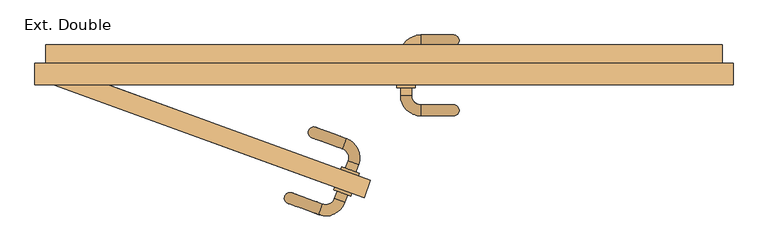
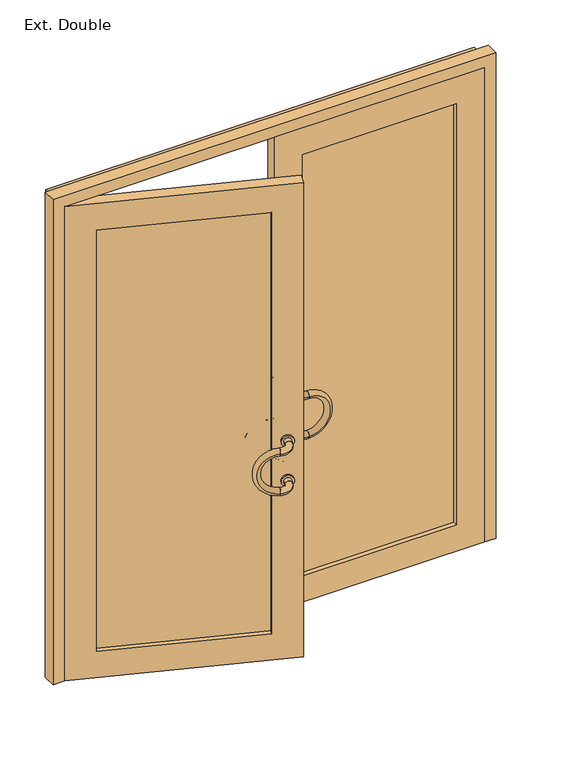
"""IFC4 building model written with IfcOpenShell, lengths in millimetres: door geometry, Ext. Double."""

from ifc_helpers import new_model, si_unit, point, frame, origin, place, context, project, spatial, polyline, circle_curve, ellipse_curve, trimmed, outline, extrude, faceted_brep, source, transform, mapped, element, save
from ifc_brep_helpers import plane_surface, cylinder_surface, revolved_surface, advanced_brep


def ext_double_28d20f76(model_context):
    return source(origin(), model_context, "Body", "SolidModel", [
        advanced_brep(
        [(35.0, -213.0, 990.0), (65.0, -213.0, 990.0), (90.0, -268.0, 990.0), (90.0, -238.0, 990.0)],
        [
            (0, 1, circle_curve(frame((50.0, -213.0, 990.0), z_axis=(0.0, 1.0, 0.0), x_axis=(1.0, 0.0, 0.0)), 15.0)),
            (1, 0, circle_curve(frame((50.0, -213.0, 990.0), z_axis=(0.0, 1.0, 0.0), x_axis=(1.0, 0.0, 0.0)), 15.0)),
            (2, 3, circle_curve(frame((90.0, -253.0, 990.0), z_axis=(1.0, 0.0, 0.0), x_axis=(0.0, 1.0, 0.0)), 15.0)),
            (3, 2, circle_curve(frame((90.0, -253.0, 990.0), z_axis=(1.0, 0.0, 0.0), x_axis=(0.0, 1.0, 0.0)), 15.0)),
            (3, 1, circle_curve(frame((90.0, -213.0, 990.0), z_axis=(0.0, 0.0, -1.0), x_axis=(-1.0, 0.0, 0.0)), 25.0)),
            (0, 2, circle_curve(frame((90.0, -213.0, 990.0), z_axis=(0.0, 0.0, 1.0), x_axis=(-1.0, 0.0, 0.0)), 55.0)),
        ],
        [
            plane_surface(frame((90.0, -213.0, 990.0), z_axis=(0.0, 1.0, 0.0), x_axis=(-1.0, 0.0, 0.0))),
            plane_surface(frame((90.0, -213.0, 990.0), z_axis=(1.0, 0.0, 0.0), x_axis=(0.0, -1.0, 0.0))),
            revolved_surface(trimmed(ellipse_curve(frame((50.0, -213.0, 990.0), z_axis=(0.0, 1.0, 0.0), x_axis=(1.0, 0.0, 0.0)), 15.0, 15.0), [point((35.0, -213.0, 990.0))], [point((65.0, -213.0, 990.0))], True, "CARTESIAN"), (90.0, -213.0, 990.0), (0.0, 0.0, 1.0)),
            revolved_surface(trimmed(ellipse_curve(frame((50.0, -213.0, 990.0), z_axis=(0.0, 1.0, 0.0), x_axis=(1.0, 0.0, 0.0)), 15.0, 15.0), [point((65.0, -213.0, 990.0))], [point((35.0, -213.0, 990.0))], True, "CARTESIAN"), (90.0, -213.0, 990.0), (0.0, 0.0, 1.0)),
        ],
        [
            (0, [[1, 2]]),
            (1, [[3, 4]]),
            (2, [[5, -1, 6, -4]]),
            (3, [[-6, -2, -5, -3]]),
        ],
    ),
        advanced_brep(
        [(35.0, -213.0, 810.0), (65.0, -213.0, 810.0), (90.0, -268.0, 810.0), (90.0, -238.0, 810.0)],
        [
            (0, 1, circle_curve(frame((50.0, -213.0, 810.0), z_axis=(0.0, 1.0, 0.0), x_axis=(1.0, 0.0, 0.0)), 15.0)),
            (1, 0, circle_curve(frame((50.0, -213.0, 810.0), z_axis=(0.0, 1.0, 0.0), x_axis=(1.0, 0.0, 0.0)), 15.0)),
            (2, 3, circle_curve(frame((90.0, -253.0, 810.0), z_axis=(1.0, 0.0, 0.0), x_axis=(0.0, 1.0, 0.0)), 15.0)),
            (3, 2, circle_curve(frame((90.0, -253.0, 810.0), z_axis=(1.0, 0.0, 0.0), x_axis=(0.0, 1.0, 0.0)), 15.0)),
            (3, 1, circle_curve(frame((90.0, -213.0, 810.0), z_axis=(0.0, 0.0, -1.0), x_axis=(-1.0, 0.0, 0.0)), 25.0)),
            (0, 2, circle_curve(frame((90.0, -213.0, 810.0), z_axis=(0.0, 0.0, 1.0), x_axis=(-1.0, 0.0, 0.0)), 55.0)),
        ],
        [
            plane_surface(frame((90.0, -213.0, 990.0), z_axis=(0.0, 1.0, 0.0), x_axis=(-1.0, 0.0, 0.0))),
            plane_surface(frame((90.0, -213.0, 990.0), z_axis=(1.0, 0.0, 0.0), x_axis=(0.0, -1.0, 0.0))),
            revolved_surface(trimmed(ellipse_curve(frame((50.0, -213.0, 810.0), z_axis=(0.0, 1.0, 0.0), x_axis=(1.0, 0.0, 0.0)), 15.0, 15.0), [point((35.0, -213.0, 810.0))], [point((65.0, -213.0, 810.0))], True, "CARTESIAN"), (90.0, -213.0, 990.0), (0.0, 0.0, 1.0)),
            revolved_surface(trimmed(ellipse_curve(frame((50.0, -213.0, 810.0), z_axis=(0.0, 1.0, 0.0), x_axis=(1.0, 0.0, 0.0)), 15.0, 15.0), [point((65.0, -213.0, 810.0))], [point((35.0, -213.0, 810.0))], True, "CARTESIAN"), (90.0, -213.0, 990.0), (0.0, 0.0, 1.0)),
        ],
        [
            (0, [[1, 2]]),
            (1, [[3, 4]]),
            (2, [[5, -1, 6, -4]]),
            (3, [[-6, -2, -5, -3]]),
        ],
    ),
        advanced_brep(
        [(90.0, -238.0, 990.0), (90.0, -268.0, 990.0), (90.0, -238.0, 810.0), (90.0, -268.0, 810.0)],
        [
            (0, 1, circle_curve(frame((90.0, -253.0, 990.0), z_axis=(-1.0, 0.0, 0.0), x_axis=(0.0, -1.0, 0.0)), 15.0)),
            (1, 0, circle_curve(frame((90.0, -253.0, 990.0), z_axis=(-1.0, 0.0, 0.0), x_axis=(0.0, -1.0, 0.0)), 15.0)),
            (2, 3, circle_curve(frame((90.0, -253.0, 810.0), z_axis=(-1.0, 0.0, 0.0), x_axis=(0.0, -1.0, 0.0)), 15.0)),
            (3, 2, circle_curve(frame((90.0, -253.0, 810.0), z_axis=(-1.0, 0.0, 0.0), x_axis=(0.0, -1.0, 0.0)), 15.0)),
            (3, 1, circle_curve(frame((90.0, -268.0, 900.0), z_axis=(0.0, -1.0, 0.0), x_axis=(0.0, 0.0, 1.0)), 90.0)),
            (0, 2, circle_curve(frame((90.0, -238.0, 900.0), z_axis=(0.0, 1.0, 0.0), x_axis=(0.0, 0.0, 1.0)), 90.0)),
        ],
        [
            plane_surface(frame((90.0, -268.0, 900.0), z_axis=(-1.0, 0.0, 0.0), x_axis=(0.0, 0.0, 1.0))),
            plane_surface(frame((90.0, -268.0, 900.0), z_axis=(-1.0, 0.0, 0.0), x_axis=(0.0, 0.0, -1.0))),
            revolved_surface(trimmed(ellipse_curve(frame((90.0, -253.0, 990.0), z_axis=(-1.0, 0.0, 0.0), x_axis=(0.0, -1.0, 0.0)), 15.0, 15.0), [point((90.0, -238.0, 990.0))], [point((90.0, -268.0, 990.0))], True, "CARTESIAN"), (90.0, -268.0, 900.0), (0.0, 1.0, 0.0)),
            revolved_surface(trimmed(ellipse_curve(frame((90.0, -253.0, 990.0), z_axis=(-1.0, 0.0, 0.0), x_axis=(0.0, -1.0, 0.0)), 15.0, 15.0), [point((90.0, -268.0, 990.0))], [point((90.0, -238.0, 990.0))], True, "CARTESIAN"), (90.0, -268.0, 900.0), (0.0, 1.0, 0.0)),
        ],
        [
            (0, [[1, 2]]),
            (1, [[3, 4]]),
            (2, [[5, -1, 6, -4]]),
            (3, [[-6, -2, -5, -3]]),
        ],
    ),
        advanced_brep(
        [(65.0, -103.0, 990.0), (35.0, -103.0, 990.0), (90.0, -78.0, 990.0), (90.0, -48.0, 990.0)],
        [
            (0, 1, circle_curve(frame((50.0, -103.0, 990.0), z_axis=(0.0, -1.0, 0.0), x_axis=(-1.0, 0.0, 0.0)), 15.0)),
            (1, 0, circle_curve(frame((50.0, -103.0, 990.0), z_axis=(0.0, -1.0, 0.0), x_axis=(-1.0, 0.0, 0.0)), 15.0)),
            (2, 3, circle_curve(frame((90.0, -63.0, 990.0), z_axis=(1.0, 0.0, 0.0), x_axis=(0.0, 1.0, 0.0)), 15.0)),
            (3, 2, circle_curve(frame((90.0, -63.0, 990.0), z_axis=(1.0, 0.0, 0.0), x_axis=(0.0, 1.0, 0.0)), 15.0)),
            (3, 1, circle_curve(frame((90.0, -103.0, 990.0), z_axis=(0.0, 0.0, 1.0), x_axis=(-1.0, 0.0, 0.0)), 55.0)),
            (0, 2, circle_curve(frame((90.0, -103.0, 990.0), z_axis=(0.0, 0.0, -1.0), x_axis=(-1.0, 0.0, 0.0)), 25.0)),
        ],
        [
            plane_surface(frame((90.0, -103.0, 990.0), z_axis=(0.0, -1.0, 0.0), x_axis=(-1.0, 0.0, 0.0))),
            plane_surface(frame((90.0, -103.0, 990.0), z_axis=(1.0, 0.0, 0.0), x_axis=(0.0, 1.0, 0.0))),
            revolved_surface(trimmed(ellipse_curve(frame((50.0, -103.0, 990.0), z_axis=(0.0, -1.0, 0.0), x_axis=(-1.0, 0.0, 0.0)), 15.0, 15.0), [point((65.0, -103.0, 990.0))], [point((35.0, -103.0, 990.0))], True, "CARTESIAN"), (90.0, -103.0, 990.0), (0.0, 0.0, -1.0)),
            revolved_surface(trimmed(ellipse_curve(frame((50.0, -103.0, 990.0), z_axis=(0.0, -1.0, 0.0), x_axis=(-1.0, 0.0, 0.0)), 15.0, 15.0), [point((35.0, -103.0, 990.0))], [point((65.0, -103.0, 990.0))], True, "CARTESIAN"), (90.0, -103.0, 990.0), (0.0, 0.0, -1.0)),
        ],
        [
            (0, [[1, 2]]),
            (1, [[3, 4]]),
            (2, [[5, -1, 6, -4]]),
            (3, [[-6, -2, -5, -3]]),
        ],
    ),
        advanced_brep(
        [(65.0, -103.0, 810.0), (35.0, -103.0, 810.0), (90.0, -78.0, 810.0), (90.0, -48.0, 810.0)],
        [
            (0, 1, circle_curve(frame((50.0, -103.0, 810.0), z_axis=(0.0, -1.0, 0.0), x_axis=(-1.0, 0.0, 0.0)), 15.0)),
            (1, 0, circle_curve(frame((50.0, -103.0, 810.0), z_axis=(0.0, -1.0, 0.0), x_axis=(-1.0, 0.0, 0.0)), 15.0)),
            (2, 3, circle_curve(frame((90.0, -63.0, 810.0), z_axis=(1.0, 0.0, 0.0), x_axis=(0.0, 1.0, 0.0)), 15.0)),
            (3, 2, circle_curve(frame((90.0, -63.0, 810.0), z_axis=(1.0, 0.0, 0.0), x_axis=(0.0, 1.0, 0.0)), 15.0)),
            (3, 1, circle_curve(frame((90.0, -103.0, 810.0), z_axis=(0.0, 0.0, 1.0), x_axis=(-1.0, 0.0, 0.0)), 55.0)),
            (0, 2, circle_curve(frame((90.0, -103.0, 810.0), z_axis=(0.0, 0.0, -1.0), x_axis=(-1.0, 0.0, 0.0)), 25.0)),
        ],
        [
            plane_surface(frame((90.0, -103.0, 990.0), z_axis=(0.0, -1.0, 0.0), x_axis=(-1.0, 0.0, 0.0))),
            plane_surface(frame((90.0, -103.0, 990.0), z_axis=(1.0, 0.0, 0.0), x_axis=(0.0, 1.0, 0.0))),
            revolved_surface(trimmed(ellipse_curve(frame((50.0, -103.0, 810.0), z_axis=(0.0, -1.0, 0.0), x_axis=(-1.0, 0.0, 0.0)), 15.0, 15.0), [point((65.0, -103.0, 810.0))], [point((35.0, -103.0, 810.0))], True, "CARTESIAN"), (90.0, -103.0, 990.0), (0.0, 0.0, -1.0)),
            revolved_surface(trimmed(ellipse_curve(frame((50.0, -103.0, 810.0), z_axis=(0.0, -1.0, 0.0), x_axis=(-1.0, 0.0, 0.0)), 15.0, 15.0), [point((35.0, -103.0, 810.0))], [point((65.0, -103.0, 810.0))], True, "CARTESIAN"), (90.0, -103.0, 990.0), (0.0, 0.0, -1.0)),
        ],
        [
            (0, [[1, 2]]),
            (1, [[3, 4]]),
            (2, [[5, -1, 6, -4]]),
            (3, [[-6, -2, -5, -3]]),
        ],
    ),
        advanced_brep(
        [(90.0, -48.0, 990.0), (90.0, -78.0, 990.0), (90.0, -48.0, 810.0), (90.0, -78.0, 810.0)],
        [
            (0, 1, circle_curve(frame((90.0, -63.0, 990.0), z_axis=(-1.0, 0.0, 0.0), x_axis=(0.0, -1.0, 0.0)), 15.0)),
            (1, 0, circle_curve(frame((90.0, -63.0, 990.0), z_axis=(-1.0, 0.0, 0.0), x_axis=(0.0, -1.0, 0.0)), 15.0)),
            (2, 3, circle_curve(frame((90.0, -63.0, 810.0), z_axis=(-1.0, 0.0, 0.0), x_axis=(0.0, -1.0, 0.0)), 15.0)),
            (3, 2, circle_curve(frame((90.0, -63.0, 810.0), z_axis=(-1.0, 0.0, 0.0), x_axis=(0.0, -1.0, 0.0)), 15.0)),
            (3, 1, circle_curve(frame((90.0, -78.0, 900.0), z_axis=(0.0, -1.0, 0.0), x_axis=(0.0, 0.0, 1.0)), 90.0)),
            (0, 2, circle_curve(frame((90.0, -48.0, 900.0), z_axis=(0.0, 1.0, 0.0), x_axis=(0.0, 0.0, 1.0)), 90.0)),
        ],
        [
            plane_surface(frame((90.0, -63.0, 900.0), z_axis=(-1.0, 0.0, 0.0), x_axis=(0.0, 0.0, 1.0))),
            plane_surface(frame((90.0, -63.0, 900.0), z_axis=(-1.0, 0.0, 0.0), x_axis=(0.0, 0.0, -1.0))),
            revolved_surface(trimmed(ellipse_curve(frame((90.0, -63.0, 990.0), z_axis=(-1.0, 0.0, 0.0), x_axis=(0.0, -1.0, 0.0)), 15.0, 15.0), [point((90.0, -48.0, 990.0))], [point((90.0, -78.0, 990.0))], True, "CARTESIAN"), (90.0, -63.0, 900.0), (0.0, 1.0, 0.0)),
            revolved_surface(trimmed(ellipse_curve(frame((90.0, -63.0, 990.0), z_axis=(-1.0, 0.0, 0.0), x_axis=(0.0, -1.0, 0.0)), 15.0, 15.0), [point((90.0, -78.0, 990.0))], [point((90.0, -48.0, 990.0))], True, "CARTESIAN"), (90.0, -63.0, 900.0), (0.0, 1.0, 0.0)),
        ],
        [
            (0, [[1, 2]]),
            (1, [[3, 4]]),
            (2, [[5, -1, 6, -4]]),
            (3, [[-6, -2, -5, -3]]),
        ],
    ),
        advanced_brep(
        [(25.0, -191.0, 990.0), (75.0, -191.0, 990.0), (65.0, -191.0, 990.0), (35.0, -191.0, 990.0), (25.0, -183.0, 990.0), (75.0, -183.0, 990.0), (35.0, -213.0, 990.0), (65.0, -213.0, 990.0)],
        [
            (0, 1, circle_curve(frame((50.0, -191.0, 990.0), z_axis=(0.0, -1.0, 0.0), x_axis=(1.0, 0.0, 0.0)), 25.0)),
            (1, 0, circle_curve(frame((50.0, -191.0, 990.0), z_axis=(0.0, -1.0, 0.0), x_axis=(1.0, 0.0, 0.0)), 25.0)),
            (2, 3, circle_curve(frame((50.0, -191.0, 990.0), z_axis=(0.0, 1.0, 0.0), x_axis=(1.0, 0.0, 0.0)), 15.0)),
            (3, 2, circle_curve(frame((50.0, -191.0, 990.0), z_axis=(0.0, 1.0, 0.0), x_axis=(1.0, 0.0, 0.0)), 15.0)),
            (4, 5, circle_curve(frame((50.0, -183.0, 990.0), z_axis=(0.0, 1.0, 0.0), x_axis=(1.0, 0.0, 0.0)), 25.0)),
            (5, 4, circle_curve(frame((50.0, -183.0, 990.0), z_axis=(0.0, 1.0, 0.0), x_axis=(1.0, 0.0, 0.0)), 25.0)),
            (0, 4),
            (5, 1),
            (6, 7, circle_curve(frame((50.0, -213.0, 990.0), z_axis=(0.0, -1.0, 0.0), x_axis=(1.0, 0.0, 0.0)), 15.0)),
            (7, 6, circle_curve(frame((50.0, -213.0, 990.0), z_axis=(0.0, -1.0, 0.0), x_axis=(1.0, 0.0, 0.0)), 15.0)),
            (6, 3),
            (2, 7),
        ],
        [
            plane_surface(frame((75.0, -191.0, 990.0), z_axis=(0.0, -1.0, 0.0), x_axis=(0.0, 0.0, 1.0))),
            plane_surface(frame((75.0, -183.0, 990.0), z_axis=(0.0, 1.0, 0.0), x_axis=(0.0, 0.0, -1.0))),
            cylinder_surface(frame((50.0, -183.0, 990.0), z_axis=(0.0, -1.0, 0.0), x_axis=(1.0, 0.0, 0.0)), 25.0),
            plane_surface(frame((65.0, -213.0, 990.0), z_axis=(0.0, -1.0, 0.0), x_axis=(0.0, 0.0, 1.0))),
            cylinder_surface(frame((50.0, -183.0, 990.0), z_axis=(0.0, -1.0, 0.0), x_axis=(1.0, 0.0, 0.0)), 15.0),
        ],
        [
            (0, [[1, 2], [3, 4]]),
            (1, [[5, 6]]),
            (2, [[-1, 7, -6, 8]]),
            (2, [[-2, -8, -5, -7]]),
            (3, [[9, 10]]),
            (4, [[-9, 11, -3, 12]]),
            (4, [[-10, -12, -4, -11]]),
        ],
    ),
        advanced_brep(
        [(25.0, -191.0, 810.0), (75.0, -191.0, 810.0), (65.0, -191.0, 810.0), (35.0, -191.0, 810.0), (25.0, -183.0, 810.0), (75.0, -183.0, 810.0), (35.0, -213.0, 810.0), (65.0, -213.0, 810.0)],
        [
            (0, 1, circle_curve(frame((50.0, -191.0, 810.0), z_axis=(0.0, -1.0, 0.0), x_axis=(1.0, 0.0, 0.0)), 25.0)),
            (1, 0, circle_curve(frame((50.0, -191.0, 810.0), z_axis=(0.0, -1.0, 0.0), x_axis=(1.0, 0.0, 0.0)), 25.0)),
            (2, 3, circle_curve(frame((50.0, -191.0, 810.0), z_axis=(0.0, 1.0, 0.0), x_axis=(1.0, 0.0, 0.0)), 15.0)),
            (3, 2, circle_curve(frame((50.0, -191.0, 810.0), z_axis=(0.0, 1.0, 0.0), x_axis=(1.0, 0.0, 0.0)), 15.0)),
            (4, 5, circle_curve(frame((50.0, -183.0, 810.0), z_axis=(0.0, 1.0, 0.0), x_axis=(1.0, 0.0, 0.0)), 25.0)),
            (5, 4, circle_curve(frame((50.0, -183.0, 810.0), z_axis=(0.0, 1.0, 0.0), x_axis=(1.0, 0.0, 0.0)), 25.0)),
            (0, 4),
            (5, 1),
            (6, 7, circle_curve(frame((50.0, -213.0, 810.0), z_axis=(0.0, -1.0, 0.0), x_axis=(1.0, 0.0, 0.0)), 15.0)),
            (7, 6, circle_curve(frame((50.0, -213.0, 810.0), z_axis=(0.0, -1.0, 0.0), x_axis=(1.0, 0.0, 0.0)), 15.0)),
            (6, 3),
            (2, 7),
        ],
        [
            plane_surface(frame((75.0, -191.0, 990.0), z_axis=(0.0, -1.0, 0.0), x_axis=(0.0, 0.0, 1.0))),
            plane_surface(frame((75.0, -183.0, 990.0), z_axis=(0.0, 1.0, 0.0), x_axis=(0.0, 0.0, -1.0))),
            cylinder_surface(frame((50.0, -183.0, 810.0), z_axis=(0.0, -1.0, 0.0), x_axis=(1.0, 0.0, 0.0)), 25.0),
            plane_surface(frame((65.0, -213.0, 990.0), z_axis=(0.0, -1.0, 0.0), x_axis=(0.0, 0.0, 1.0))),
            cylinder_surface(frame((50.0, -183.0, 810.0), z_axis=(0.0, -1.0, 0.0), x_axis=(1.0, 0.0, 0.0)), 15.0),
        ],
        [
            (0, [[1, 2], [3, 4]]),
            (1, [[5, 6]]),
            (2, [[-1, 7, -6, 8]]),
            (2, [[-2, -8, -5, -7]]),
            (3, [[9, 10]]),
            (4, [[-9, 11, -3, 12]]),
            (4, [[-10, -12, -4, -11]]),
        ],
    ),
        advanced_brep(
        [(25.0, -133.0, 810.0), (75.0, -133.0, 810.0), (25.0, -125.0, 810.0), (75.0, -125.0, 810.0), (35.0, -125.0, 810.0), (65.0, -125.0, 810.0), (35.0, -103.0, 810.0), (65.0, -103.0, 810.0)],
        [
            (0, 1, circle_curve(frame((50.0, -133.0, 810.0), z_axis=(0.0, -1.0, 0.0), x_axis=(1.0, 0.0, 0.0)), 25.0)),
            (1, 0, circle_curve(frame((50.0, -133.0, 810.0), z_axis=(0.0, -1.0, 0.0), x_axis=(1.0, 0.0, 0.0)), 25.0)),
            (2, 3, circle_curve(frame((50.0, -125.0, 810.0), z_axis=(0.0, 1.0, 0.0), x_axis=(1.0, 0.0, 0.0)), 25.0)),
            (3, 2, circle_curve(frame((50.0, -125.0, 810.0), z_axis=(0.0, 1.0, 0.0), x_axis=(1.0, 0.0, 0.0)), 25.0)),
            (4, 5, circle_curve(frame((50.0, -125.0, 810.0), z_axis=(0.0, -1.0, 0.0), x_axis=(1.0, 0.0, 0.0)), 15.0)),
            (5, 4, circle_curve(frame((50.0, -125.0, 810.0), z_axis=(0.0, -1.0, 0.0), x_axis=(1.0, 0.0, 0.0)), 15.0)),
            (0, 2),
            (3, 1),
            (6, 7, circle_curve(frame((50.0, -103.0, 810.0), z_axis=(0.0, 1.0, 0.0), x_axis=(1.0, 0.0, 0.0)), 15.0)),
            (7, 6, circle_curve(frame((50.0, -103.0, 810.0), z_axis=(0.0, 1.0, 0.0), x_axis=(1.0, 0.0, 0.0)), 15.0)),
            (7, 5),
            (4, 6),
        ],
        [
            plane_surface(frame((75.0, -133.0, 990.0), z_axis=(0.0, -1.0, 0.0), x_axis=(0.0, 0.0, 1.0))),
            plane_surface(frame((75.0, -125.0, 990.0), z_axis=(0.0, 1.0, 0.0), x_axis=(0.0, 0.0, -1.0))),
            cylinder_surface(frame((50.0, -133.0, 810.0), z_axis=(0.0, -1.0, 0.0), x_axis=(1.0, 0.0, 0.0)), 25.0),
            plane_surface(frame((65.0, -103.0, 990.0), z_axis=(0.0, 1.0, 0.0), x_axis=(0.0, 0.0, -1.0))),
            cylinder_surface(frame((50.0, -133.0, 810.0), z_axis=(0.0, -1.0, 0.0), x_axis=(1.0, 0.0, 0.0)), 15.0),
        ],
        [
            (0, [[1, 2]]),
            (1, [[3, 4], [5, 6]]),
            (2, [[-1, 7, -4, 8]]),
            (2, [[-2, -8, -3, -7]]),
            (3, [[9, 10]]),
            (4, [[-10, 11, -5, 12]]),
            (4, [[-9, -12, -6, -11]]),
        ],
    ),
        advanced_brep(
        [(25.0, -133.0, 990.0), (75.0, -133.0, 990.0), (25.0, -125.0, 990.0), (75.0, -125.0, 990.0), (35.0, -125.0, 990.0), (65.0, -125.0, 990.0), (35.0, -103.0, 990.0), (65.0, -103.0, 990.0)],
        [
            (0, 1, circle_curve(frame((50.0, -133.0, 990.0), z_axis=(0.0, -1.0, 0.0), x_axis=(1.0, 0.0, 0.0)), 25.0)),
            (1, 0, circle_curve(frame((50.0, -133.0, 990.0), z_axis=(0.0, -1.0, 0.0), x_axis=(1.0, 0.0, 0.0)), 25.0)),
            (2, 3, circle_curve(frame((50.0, -125.0, 990.0), z_axis=(0.0, 1.0, 0.0), x_axis=(1.0, 0.0, 0.0)), 25.0)),
            (3, 2, circle_curve(frame((50.0, -125.0, 990.0), z_axis=(0.0, 1.0, 0.0), x_axis=(1.0, 0.0, 0.0)), 25.0)),
            (4, 5, circle_curve(frame((50.0, -125.0, 990.0), z_axis=(0.0, -1.0, 0.0), x_axis=(1.0, 0.0, 0.0)), 15.0)),
            (5, 4, circle_curve(frame((50.0, -125.0, 990.0), z_axis=(0.0, -1.0, 0.0), x_axis=(1.0, 0.0, 0.0)), 15.0)),
            (0, 2),
            (3, 1),
            (6, 7, circle_curve(frame((50.0, -103.0, 990.0), z_axis=(0.0, 1.0, 0.0), x_axis=(1.0, 0.0, 0.0)), 15.0)),
            (7, 6, circle_curve(frame((50.0, -103.0, 990.0), z_axis=(0.0, 1.0, 0.0), x_axis=(1.0, 0.0, 0.0)), 15.0)),
            (7, 5),
            (4, 6),
        ],
        [
            plane_surface(frame((75.0, -133.0, 990.0), z_axis=(0.0, -1.0, 0.0), x_axis=(0.0, 0.0, 1.0))),
            plane_surface(frame((75.0, -125.0, 990.0), z_axis=(0.0, 1.0, 0.0), x_axis=(0.0, 0.0, -1.0))),
            cylinder_surface(frame((50.0, -125.0, 990.0), z_axis=(0.0, -1.0, 0.0), x_axis=(1.0, 0.0, 0.0)), 25.0),
            plane_surface(frame((65.0, -103.0, 990.0), z_axis=(0.0, 1.0, 0.0), x_axis=(0.0, 0.0, -1.0))),
            cylinder_surface(frame((50.0, -103.0, 990.0), z_axis=(0.0, -1.0, 0.0), x_axis=(1.0, 0.0, 0.0)), 15.0),
        ],
        [
            (0, [[1, 2]]),
            (1, [[3, 4], [5, 6]]),
            (2, [[-1, 7, -4, 8]]),
            (2, [[-2, -8, -3, -7]]),
            (3, [[9, 10]]),
            (4, [[-10, 11, -5, 12]]),
            (4, [[-9, -12, -6, -11]]),
        ],
    ),
        extrude(outline(polyline([(110.0, -153.0), (770.0, -153.0), (770.0, -163.0), (110.0, -163.0), (110.0, -153.0)])), frame((0.0, 0.0, 120.0), z_axis=(0.0, 0.0, 1.0), x_axis=(1.0, 0.0, 0.0)), (0.0, 0.0, 1.0), 1910.0),
        extrude(outline(polyline([(2150.0, -10.0), (0.0, -10.0), (0.0, 890.0), (2150.0, 890.0), (2150.0, -10.0)]), holes=[polyline([(2030.0, 770.0), (120.0, 770.0), (120.0, 110.0), (2030.0, 110.0), (2030.0, 770.0)])]), frame((0.0, -183.0, 0.0), z_axis=(0.0, 1.0, 0.0), x_axis=(0.0, 0.0, 1.0)), (0.0, 0.0, 1.0), 50.0),
        advanced_brep(
        [(-116.8234135, -503.6180012, 990.0), (-145.0141922, -493.3573969, 990.0), (-187.3176156, -536.4899874, 990.0), (-177.0570113, -508.2992088, 990.0)],
        [
            (0, 1, circle_curve(frame((-130.9188028, -498.487699, 990.0), z_axis=(0.34202014332566416, 0.9396926207859104, 0.0), x_axis=(-0.9396926207859102, 0.3420201433256641, 0.0)), 15.0)),
            (1, 0, circle_curve(frame((-130.9188028, -498.487699, 990.0), z_axis=(0.34202014332566416, 0.9396926207859104, 0.0), x_axis=(-0.9396926207859102, 0.3420201433256641, 0.0)), 15.0)),
            (2, 3, circle_curve(frame((-182.1873134, -522.3945981, 990.0), z_axis=(-0.9396926207859108, 0.3420201433256624, 0.0), x_axis=(0.34202014332566244, 0.939692620785911, 0.0)), 15.0)),
            (3, 2, circle_curve(frame((-182.1873134, -522.3945981, 990.0), z_axis=(-0.9396926207859108, 0.3420201433256624, 0.0), x_axis=(0.34202014332566244, 0.939692620785911, 0.0)), 15.0)),
            (2, 0, circle_curve(frame((-168.5065077, -484.8068933, 990.0), z_axis=(0.0, 0.0, 1.0), x_axis=(0.939692620785908, -0.34202014332567016, 0.0)), 55.0)),
            (1, 3, circle_curve(frame((-168.5065077, -484.8068933, 990.0), z_axis=(0.0, 0.0, -1.0), x_axis=(0.939692620785908, -0.34202014332567016, 0.0)), 25.0)),
        ],
        [
            plane_surface(frame((-168.5065077, -484.8068933, 990.0), z_axis=(0.34202014332567016, 0.939692620785908, 0.0), x_axis=(0.939692620785908, -0.34202014332567016, 0.0))),
            plane_surface(frame((-168.5065077, -484.8068933, 990.0), z_axis=(-0.9396926207859086, 0.3420201433256684, 0.0), x_axis=(-0.3420201433256684, -0.9396926207859086, 0.0))),
            revolved_surface(trimmed(ellipse_curve(frame((-130.9188028, -498.487699, 990.0), z_axis=(-0.34202014332566416, -0.9396926207859104, 0.0), x_axis=(-0.9396926207859102, 0.3420201433256641, 0.0)), 15.0, 15.0), [point((-116.8234135, -503.6180012, 990.0))], [point((-145.0141922, -493.3573969, 990.0))], True, "CARTESIAN"), (-168.5065077, -484.8068933, 990.0), (0.0, 0.0, 1.0000000000000002)),
            revolved_surface(trimmed(ellipse_curve(frame((-130.9188028, -498.487699, 990.0), z_axis=(-0.34202014332566416, -0.9396926207859104, 0.0), x_axis=(-0.9396926207859102, 0.3420201433256641, 0.0)), 15.0, 15.0), [point((-145.0141922, -493.3573969, 990.0))], [point((-116.8234135, -503.6180012, 990.0))], True, "CARTESIAN"), (-168.5065077, -484.8068933, 990.0), (0.0, 0.0, 1.0000000000000002)),
        ],
        [
            (0, [[1, 2]]),
            (1, [[3, 4]]),
            (2, [[-3, 5, -2, 6]]),
            (3, [[-4, -6, -1, -5]]),
        ],
    ),
        advanced_brep(
        [(-116.8234135, -503.6180012, 810.0), (-145.0141922, -493.3573969, 810.0), (-187.3176156, -536.4899874, 810.0), (-177.0570113, -508.2992088, 810.0)],
        [
            (0, 1, circle_curve(frame((-130.9188028, -498.487699, 810.0), z_axis=(0.34202014332566416, 0.9396926207859104, 0.0), x_axis=(-0.9396926207859102, 0.3420201433256641, 0.0)), 15.0)),
            (1, 0, circle_curve(frame((-130.9188028, -498.487699, 810.0), z_axis=(0.34202014332566416, 0.9396926207859104, 0.0), x_axis=(-0.9396926207859102, 0.3420201433256641, 0.0)), 15.0)),
            (2, 3, circle_curve(frame((-182.1873134, -522.3945981, 810.0), z_axis=(-0.9396926207859108, 0.3420201433256624, 0.0), x_axis=(0.34202014332566244, 0.939692620785911, 0.0)), 15.0)),
            (3, 2, circle_curve(frame((-182.1873134, -522.3945981, 810.0), z_axis=(-0.9396926207859108, 0.3420201433256624, 0.0), x_axis=(0.34202014332566244, 0.939692620785911, 0.0)), 15.0)),
            (2, 0, circle_curve(frame((-168.5065077, -484.8068933, 810.0), z_axis=(0.0, 0.0, 1.0), x_axis=(0.939692620785908, -0.34202014332567016, 0.0)), 55.0)),
            (1, 3, circle_curve(frame((-168.5065077, -484.8068933, 810.0), z_axis=(0.0, 0.0, -1.0), x_axis=(0.939692620785908, -0.34202014332567016, 0.0)), 25.0)),
        ],
        [
            plane_surface(frame((-168.5065077, -484.8068933, 990.0), z_axis=(0.34202014332567016, 0.939692620785908, 0.0), x_axis=(0.939692620785908, -0.34202014332567016, 0.0))),
            plane_surface(frame((-168.5065077, -484.8068933, 990.0), z_axis=(-0.9396926207859086, 0.3420201433256684, 0.0), x_axis=(-0.3420201433256684, -0.9396926207859086, 0.0))),
            revolved_surface(trimmed(ellipse_curve(frame((-130.9188028, -498.487699, 810.0), z_axis=(-0.34202014332566416, -0.9396926207859104, 0.0), x_axis=(-0.9396926207859102, 0.3420201433256641, 0.0)), 15.0, 15.0), [point((-116.8234135, -503.6180012, 810.0))], [point((-145.0141922, -493.3573969, 810.0))], True, "CARTESIAN"), (-168.5065077, -484.8068933, 990.0), (0.0, 0.0, 1.0000000000000002)),
            revolved_surface(trimmed(ellipse_curve(frame((-130.9188028, -498.487699, 810.0), z_axis=(-0.34202014332566416, -0.9396926207859104, 0.0), x_axis=(-0.9396926207859102, 0.3420201433256641, 0.0)), 15.0, 15.0), [point((-145.0141922, -493.3573969, 810.0))], [point((-116.8234135, -503.6180012, 810.0))], True, "CARTESIAN"), (-168.5065077, -484.8068933, 990.0), (0.0, 0.0, 1.0000000000000002)),
        ],
        [
            (0, [[1, 2]]),
            (1, [[3, 4]]),
            (2, [[-3, 5, -2, 6]]),
            (3, [[-4, -6, -1, -5]]),
        ],
    ),
        advanced_brep(
        [(-177.0570113, -508.2992088, 990.0), (-187.3176156, -536.4899874, 990.0), (-177.0570113, -508.2992088, 810.0), (-187.3176156, -536.4899874, 810.0)],
        [
            (0, 1, circle_curve(frame((-182.1873134, -522.3945981, 990.0), z_axis=(0.9396926207859086, -0.34202014332566844, 0.0), x_axis=(-0.3420201433256685, -0.9396926207859089, 0.0)), 15.0)),
            (1, 0, circle_curve(frame((-182.1873134, -522.3945981, 990.0), z_axis=(0.9396926207859086, -0.34202014332566844, 0.0), x_axis=(-0.3420201433256685, -0.9396926207859089, 0.0)), 15.0)),
            (2, 3, circle_curve(frame((-182.1873134, -522.3945981, 810.0), z_axis=(0.9396926207859086, -0.34202014332566844, 0.0), x_axis=(-0.3420201433256685, -0.9396926207859089, 0.0)), 15.0)),
            (3, 2, circle_curve(frame((-182.1873134, -522.3945981, 810.0), z_axis=(0.9396926207859086, -0.34202014332566844, 0.0), x_axis=(-0.3420201433256685, -0.9396926207859089, 0.0)), 15.0)),
            (2, 0, circle_curve(frame((-177.0570113, -508.2992088, 900.0), z_axis=(0.34202014332566844, 0.9396926207859086, 0.0), x_axis=(0.0, 0.0, 1.0000000000000002)), 90.0)),
            (1, 3, circle_curve(frame((-187.3176156, -536.4899874, 900.0), z_axis=(-0.34202014332566844, -0.9396926207859086, 0.0), x_axis=(0.0, 0.0, 1.0000000000000002)), 90.0)),
        ],
        [
            plane_surface(frame((-187.3176156, -536.4899874, 900.0), z_axis=(0.9396926207859086, -0.34202014332566844, 0.0), x_axis=(0.0, 0.0, 1.0))),
            plane_surface(frame((-187.3176156, -536.4899874, 900.0), z_axis=(0.9396926207859086, -0.34202014332566844, 0.0), x_axis=(0.0, 0.0, -1.0))),
            revolved_surface(trimmed(ellipse_curve(frame((-182.1873134, -522.3945981, 990.0), z_axis=(-0.9396926207859086, 0.34202014332566844, 0.0), x_axis=(-0.3420201433256685, -0.9396926207859089, 0.0)), 15.0, 15.0), [point((-177.0570113, -508.2992088, 990.0))], [point((-187.3176156, -536.4899874, 990.0))], True, "CARTESIAN"), (-187.3176156, -536.4899874, 900.0), (0.3420201433256685, 0.9396926207859089, 0.0)),
            revolved_surface(trimmed(ellipse_curve(frame((-182.1873134, -522.3945981, 990.0), z_axis=(-0.9396926207859086, 0.34202014332566844, 0.0), x_axis=(-0.3420201433256685, -0.9396926207859089, 0.0)), 15.0, 15.0), [point((-187.3176156, -536.4899874, 990.0))], [point((-177.0570113, -508.2992088, 990.0))], True, "CARTESIAN"), (-187.3176156, -536.4899874, 900.0), (0.3420201433256685, 0.9396926207859089, 0.0)),
        ],
        [
            (0, [[1, 2]]),
            (1, [[3, 4]]),
            (2, [[-3, 5, -2, 6]]),
            (3, [[-4, -6, -1, -5]]),
        ],
    ),
        advanced_brep(
        [(-107.3919764, -389.9912086, 990.0), (-79.2011978, -400.2518129, 990.0), (-122.3337883, -357.9483895, 990.0), (-112.073184, -329.7576109, 990.0)],
        [
            (0, 1, circle_curve(frame((-93.2965871, -395.1215107, 990.0), z_axis=(-0.34202014332566977, -0.9396926207859084, 0.0), x_axis=(0.9396926207859082, -0.3420201433256697, 0.0)), 15.0)),
            (1, 0, circle_curve(frame((-93.2965871, -395.1215107, 990.0), z_axis=(-0.34202014332566977, -0.9396926207859084, 0.0), x_axis=(0.9396926207859082, -0.3420201433256697, 0.0)), 15.0)),
            (2, 3, circle_curve(frame((-117.2034862, -343.8530002, 990.0), z_axis=(-0.9396926207859078, 0.34202014332567104, 0.0), x_axis=(0.3420201433256711, 0.939692620785908, 0.0)), 15.0)),
            (3, 2, circle_curve(frame((-117.2034862, -343.8530002, 990.0), z_axis=(-0.9396926207859078, 0.34202014332567104, 0.0), x_axis=(0.3420201433256711, 0.939692620785908, 0.0)), 15.0)),
            (2, 0, circle_curve(frame((-130.8842919, -381.440705, 990.0), z_axis=(0.0, 0.0, -1.0), x_axis=(0.9396926207859082, -0.34202014332566977, 0.0)), 25.0)),
            (1, 3, circle_curve(frame((-130.8842919, -381.440705, 990.0), z_axis=(0.0, 0.0, 1.0), x_axis=(0.9396926207859082, -0.34202014332566977, 0.0)), 55.0)),
        ],
        [
            plane_surface(frame((-130.8842919, -381.440705, 990.0), z_axis=(-0.34202014332566977, -0.9396926207859081, 0.0), x_axis=(0.9396926207859081, -0.34202014332566977, 0.0))),
            plane_surface(frame((-130.8842919, -381.440705, 990.0), z_axis=(-0.9396926207859077, 0.34202014332567104, 0.0), x_axis=(0.34202014332567104, 0.9396926207859077, 0.0))),
            revolved_surface(trimmed(ellipse_curve(frame((-93.2965871, -395.1215107, 990.0), z_axis=(0.34202014332566977, 0.9396926207859084, 0.0), x_axis=(0.9396926207859082, -0.3420201433256697, 0.0)), 15.0, 15.0), [point((-107.3919764, -389.9912086, 990.0))], [point((-79.2011978, -400.2518129, 990.0))], True, "CARTESIAN"), (-130.8842919, -381.440705, 990.0), (0.0, 0.0, -1.0000000000000002)),
            revolved_surface(trimmed(ellipse_curve(frame((-93.2965871, -395.1215107, 990.0), z_axis=(0.34202014332566977, 0.9396926207859084, 0.0), x_axis=(0.9396926207859082, -0.3420201433256697, 0.0)), 15.0, 15.0), [point((-79.2011978, -400.2518129, 990.0))], [point((-107.3919764, -389.9912086, 990.0))], True, "CARTESIAN"), (-130.8842919, -381.440705, 990.0), (0.0, 0.0, -1.0000000000000002)),
        ],
        [
            (0, [[1, 2]]),
            (1, [[3, 4]]),
            (2, [[-3, 5, -2, 6]]),
            (3, [[-4, -6, -1, -5]]),
        ],
    ),
        advanced_brep(
        [(-107.3919764, -389.9912086, 810.0), (-79.2011978, -400.2518129, 810.0), (-122.3337883, -357.9483895, 810.0), (-112.073184, -329.7576109, 810.0)],
        [
            (0, 1, circle_curve(frame((-93.2965871, -395.1215107, 810.0), z_axis=(-0.34202014332566977, -0.9396926207859084, 0.0), x_axis=(0.9396926207859082, -0.3420201433256697, 0.0)), 15.0)),
            (1, 0, circle_curve(frame((-93.2965871, -395.1215107, 810.0), z_axis=(-0.34202014332566977, -0.9396926207859084, 0.0), x_axis=(0.9396926207859082, -0.3420201433256697, 0.0)), 15.0)),
            (2, 3, circle_curve(frame((-117.2034862, -343.8530002, 810.0), z_axis=(-0.9396926207859078, 0.34202014332567104, 0.0), x_axis=(0.3420201433256711, 0.939692620785908, 0.0)), 15.0)),
            (3, 2, circle_curve(frame((-117.2034862, -343.8530002, 810.0), z_axis=(-0.9396926207859078, 0.34202014332567104, 0.0), x_axis=(0.3420201433256711, 0.939692620785908, 0.0)), 15.0)),
            (2, 0, circle_curve(frame((-130.8842919, -381.440705, 810.0), z_axis=(0.0, 0.0, -1.0), x_axis=(0.9396926207859082, -0.34202014332566977, 0.0)), 25.0)),
            (1, 3, circle_curve(frame((-130.8842919, -381.440705, 810.0), z_axis=(0.0, 0.0, 1.0), x_axis=(0.9396926207859082, -0.34202014332566977, 0.0)), 55.0)),
        ],
        [
            plane_surface(frame((-130.8842919, -381.440705, 990.0), z_axis=(-0.34202014332566977, -0.9396926207859081, 0.0), x_axis=(0.9396926207859081, -0.34202014332566977, 0.0))),
            plane_surface(frame((-130.8842919, -381.440705, 990.0), z_axis=(-0.9396926207859077, 0.34202014332567104, 0.0), x_axis=(0.34202014332567104, 0.9396926207859077, 0.0))),
            revolved_surface(trimmed(ellipse_curve(frame((-93.2965871, -395.1215107, 810.0), z_axis=(0.34202014332566977, 0.9396926207859084, 0.0), x_axis=(0.9396926207859082, -0.3420201433256697, 0.0)), 15.0, 15.0), [point((-107.3919764, -389.9912086, 810.0))], [point((-79.2011978, -400.2518129, 810.0))], True, "CARTESIAN"), (-130.8842919, -381.440705, 990.0), (0.0, 0.0, -1.0000000000000002)),
            revolved_surface(trimmed(ellipse_curve(frame((-93.2965871, -395.1215107, 810.0), z_axis=(0.34202014332566977, 0.9396926207859084, 0.0), x_axis=(0.9396926207859082, -0.3420201433256697, 0.0)), 15.0, 15.0), [point((-79.2011978, -400.2518129, 810.0))], [point((-107.3919764, -389.9912086, 810.0))], True, "CARTESIAN"), (-130.8842919, -381.440705, 990.0), (0.0, 0.0, -1.0000000000000002)),
        ],
        [
            (0, [[1, 2]]),
            (1, [[3, 4]]),
            (2, [[-3, 5, -2, 6]]),
            (3, [[-4, -6, -1, -5]]),
        ],
    ),
        advanced_brep(
        [(-112.073184, -329.7576109, 990.0), (-122.3337883, -357.9483895, 990.0), (-112.073184, -329.7576109, 810.0), (-122.3337883, -357.9483895, 810.0)],
        [
            (0, 1, circle_curve(frame((-117.2034862, -343.8530002, 990.0), z_axis=(0.9396926207859098, -0.3420201433256654, 0.0), x_axis=(-0.34202014332566544, -0.93969262078591, 0.0)), 15.0)),
            (1, 0, circle_curve(frame((-117.2034862, -343.8530002, 990.0), z_axis=(0.9396926207859098, -0.3420201433256654, 0.0), x_axis=(-0.34202014332566544, -0.93969262078591, 0.0)), 15.0)),
            (2, 3, circle_curve(frame((-117.2034862, -343.8530002, 810.0), z_axis=(0.9396926207859098, -0.3420201433256654, 0.0), x_axis=(-0.34202014332566544, -0.93969262078591, 0.0)), 15.0)),
            (3, 2, circle_curve(frame((-117.2034862, -343.8530002, 810.0), z_axis=(0.9396926207859098, -0.3420201433256654, 0.0), x_axis=(-0.34202014332566544, -0.93969262078591, 0.0)), 15.0)),
            (2, 0, circle_curve(frame((-112.073184, -329.7576109, 900.0), z_axis=(0.34202014332566527, 0.9396926207859095, 0.0), x_axis=(0.0, 0.0, 1.0000000000000002)), 90.0)),
            (1, 3, circle_curve(frame((-122.3337883, -357.9483895, 900.0), z_axis=(-0.34202014332566527, -0.9396926207859095, 0.0), x_axis=(0.0, 0.0, 1.0000000000000002)), 90.0)),
        ],
        [
            plane_surface(frame((-117.2034862, -343.8530002, 900.0), z_axis=(0.9396926207859096, -0.3420201433256653, 0.0), x_axis=(0.0, 0.0, 1.0))),
            plane_surface(frame((-117.2034862, -343.8530002, 900.0), z_axis=(0.9396926207859096, -0.3420201433256653, 0.0), x_axis=(0.0, 0.0, -1.0))),
            revolved_surface(trimmed(ellipse_curve(frame((-117.2034862, -343.8530002, 990.0), z_axis=(-0.9396926207859098, 0.3420201433256654, 0.0), x_axis=(-0.34202014332566544, -0.93969262078591, 0.0)), 15.0, 15.0), [point((-112.073184, -329.7576109, 990.0))], [point((-122.3337883, -357.9483895, 990.0))], True, "CARTESIAN"), (-117.2034862, -343.8530002, 900.0), (0.34202014332566544, 0.93969262078591, 0.0)),
            revolved_surface(trimmed(ellipse_curve(frame((-117.2034862, -343.8530002, 990.0), z_axis=(-0.9396926207859098, 0.3420201433256654, 0.0), x_axis=(-0.34202014332566544, -0.93969262078591, 0.0)), 15.0, 15.0), [point((-122.3337883, -357.9483895, 990.0))], [point((-112.073184, -329.7576109, 990.0))], True, "CARTESIAN"), (-117.2034862, -343.8530002, 900.0), (0.34202014332566544, 0.93969262078591, 0.0)),
        ],
        [
            (0, [[1, 2]]),
            (1, [[3, 4]]),
            (2, [[-3, 5, -2, 6]]),
            (3, [[-4, -6, -1, -5]]),
        ],
    ),
        advanced_brep(
        [(-99.9020442, -486.3649649, 990.0), (-146.8866752, -469.2639578, 990.0), (-137.489749, -472.6841592, 990.0), (-109.2989704, -482.9447635, 990.0), (-97.165883, -478.847424, 990.0), (-144.1505141, -461.7464168, 990.0), (-116.8234135, -503.6180012, 990.0), (-145.0141922, -493.3573969, 990.0)],
        [
            (0, 1, circle_curve(frame((-123.3943597, -477.8144614, 990.0), z_axis=(-0.34202014332566844, -0.9396926207859086, 0.0), x_axis=(-0.9396926207859086, 0.34202014332566844, 0.0)), 25.0)),
            (1, 0, circle_curve(frame((-123.3943597, -477.8144614, 990.0), z_axis=(-0.34202014332566844, -0.9396926207859086, 0.0), x_axis=(-0.9396926207859086, 0.34202014332566844, 0.0)), 25.0)),
            (2, 3, circle_curve(frame((-123.3943597, -477.8144614, 990.0), z_axis=(0.34202014332566844, 0.9396926207859086, 0.0), x_axis=(-0.9396926207859086, 0.34202014332566844, 0.0)), 15.0)),
            (3, 2, circle_curve(frame((-123.3943597, -477.8144614, 990.0), z_axis=(0.34202014332566844, 0.9396926207859086, 0.0), x_axis=(-0.9396926207859086, 0.34202014332566844, 0.0)), 15.0)),
            (4, 5, circle_curve(frame((-120.6581985, -470.2969204, 990.0), z_axis=(0.34202014332566844, 0.9396926207859086, 0.0), x_axis=(-0.9396926207859086, 0.34202014332566844, 0.0)), 25.0)),
            (5, 4, circle_curve(frame((-120.6581985, -470.2969204, 990.0), z_axis=(0.34202014332566844, 0.9396926207859086, 0.0), x_axis=(-0.9396926207859086, 0.34202014332566844, 0.0)), 25.0)),
            (1, 5),
            (4, 0),
            (6, 7, circle_curve(frame((-130.9188028, -498.487699, 990.0), z_axis=(-0.34202014332566844, -0.9396926207859086, 0.0), x_axis=(-0.9396926207859086, 0.34202014332566844, 0.0)), 15.0)),
            (7, 6, circle_curve(frame((-130.9188028, -498.487699, 990.0), z_axis=(-0.34202014332566844, -0.9396926207859086, 0.0), x_axis=(-0.9396926207859086, 0.34202014332566844, 0.0)), 15.0)),
            (7, 2),
            (3, 6),
        ],
        [
            plane_surface(frame((-146.8866752, -469.2639578, 990.0), z_axis=(-0.34202014332566844, -0.9396926207859086, 0.0), x_axis=(0.0, 0.0, 1.0))),
            plane_surface(frame((-144.1505141, -461.7464168, 990.0), z_axis=(0.34202014332566844, 0.9396926207859086, 0.0), x_axis=(0.0, 0.0, -1.0))),
            cylinder_surface(frame((-120.6581985, -470.2969204, 990.0), z_axis=(-0.3420201433256685, -0.9396926207859089, 0.0), x_axis=(-0.9396926207859086, 0.34202014332566844, 0.0)), 25.0),
            plane_surface(frame((-145.0141922, -493.3573969, 990.0), z_axis=(-0.34202014332566844, -0.9396926207859086, 0.0), x_axis=(0.0, 0.0, 1.0))),
            cylinder_surface(frame((-120.6581985, -470.2969204, 990.0), z_axis=(-0.3420201433256685, -0.9396926207859089, 0.0), x_axis=(-0.9396926207859086, 0.34202014332566844, 0.0)), 15.0),
        ],
        [
            (0, [[1, 2], [3, 4]]),
            (1, [[5, 6]]),
            (2, [[7, -5, 8, -2]]),
            (2, [[-8, -6, -7, -1]]),
            (3, [[9, 10]]),
            (4, [[11, -4, 12, -10]]),
            (4, [[-12, -3, -11, -9]]),
        ],
    ),
        advanced_brep(
        [(-99.9020442, -486.3649649, 810.0), (-146.8866752, -469.2639578, 810.0), (-137.489749, -472.6841592, 810.0), (-109.2989704, -482.9447635, 810.0), (-97.165883, -478.847424, 810.0), (-144.1505141, -461.7464168, 810.0), (-116.8234135, -503.6180012, 810.0), (-145.0141922, -493.3573969, 810.0)],
        [
            (0, 1, circle_curve(frame((-123.3943597, -477.8144614, 810.0), z_axis=(-0.34202014332566844, -0.9396926207859086, 0.0), x_axis=(-0.9396926207859086, 0.34202014332566844, 0.0)), 25.0)),
            (1, 0, circle_curve(frame((-123.3943597, -477.8144614, 810.0), z_axis=(-0.34202014332566844, -0.9396926207859086, 0.0), x_axis=(-0.9396926207859086, 0.34202014332566844, 0.0)), 25.0)),
            (2, 3, circle_curve(frame((-123.3943597, -477.8144614, 810.0), z_axis=(0.34202014332566844, 0.9396926207859086, 0.0), x_axis=(-0.9396926207859086, 0.34202014332566844, 0.0)), 15.0)),
            (3, 2, circle_curve(frame((-123.3943597, -477.8144614, 810.0), z_axis=(0.34202014332566844, 0.9396926207859086, 0.0), x_axis=(-0.9396926207859086, 0.34202014332566844, 0.0)), 15.0)),
            (4, 5, circle_curve(frame((-120.6581985, -470.2969204, 810.0), z_axis=(0.34202014332566844, 0.9396926207859086, 0.0), x_axis=(-0.9396926207859086, 0.34202014332566844, 0.0)), 25.0)),
            (5, 4, circle_curve(frame((-120.6581985, -470.2969204, 810.0), z_axis=(0.34202014332566844, 0.9396926207859086, 0.0), x_axis=(-0.9396926207859086, 0.34202014332566844, 0.0)), 25.0)),
            (1, 5),
            (4, 0),
            (6, 7, circle_curve(frame((-130.9188028, -498.487699, 810.0), z_axis=(-0.34202014332566844, -0.9396926207859086, 0.0), x_axis=(-0.9396926207859086, 0.34202014332566844, 0.0)), 15.0)),
            (7, 6, circle_curve(frame((-130.9188028, -498.487699, 810.0), z_axis=(-0.34202014332566844, -0.9396926207859086, 0.0), x_axis=(-0.9396926207859086, 0.34202014332566844, 0.0)), 15.0)),
            (7, 2),
            (3, 6),
        ],
        [
            plane_surface(frame((-146.8866752, -469.2639578, 990.0), z_axis=(-0.34202014332566844, -0.9396926207859086, 0.0), x_axis=(0.0, 0.0, 1.0))),
            plane_surface(frame((-144.1505141, -461.7464168, 990.0), z_axis=(0.34202014332566844, 0.9396926207859086, 0.0), x_axis=(0.0, 0.0, -1.0))),
            cylinder_surface(frame((-120.6581985, -470.2969204, 810.0), z_axis=(-0.3420201433256685, -0.9396926207859089, 0.0), x_axis=(-0.9396926207859086, 0.34202014332566844, 0.0)), 25.0),
            plane_surface(frame((-145.0141922, -493.3573969, 990.0), z_axis=(-0.34202014332566844, -0.9396926207859086, 0.0), x_axis=(0.0, 0.0, 1.0))),
            cylinder_surface(frame((-120.6581985, -470.2969204, 810.0), z_axis=(-0.3420201433256685, -0.9396926207859089, 0.0), x_axis=(-0.9396926207859086, 0.34202014332566844, 0.0)), 15.0),
        ],
        [
            (0, [[1, 2], [3, 4]]),
            (1, [[5, 6]]),
            (2, [[7, -5, 8, -2]]),
            (2, [[-8, -6, -7, -1]]),
            (3, [[9, 10]]),
            (4, [[11, -4, 12, -10]]),
            (4, [[-12, -3, -11, -9]]),
        ],
    ),
        advanced_brep(
        [(-80.0648759, -431.8627929, 810.0), (-127.0495069, -414.7617858, 810.0), (-77.3287147, -424.345252, 810.0), (-124.3133457, -407.2442448, 810.0), (-86.7256409, -420.9250505, 810.0), (-114.9164195, -410.6644462, 810.0), (-79.2011978, -400.2518129, 810.0), (-107.3919764, -389.9912086, 810.0)],
        [
            (0, 1, circle_curve(frame((-103.5571914, -423.3122894, 810.0), z_axis=(-0.34202014332566527, -0.9396926207859095, 0.0), x_axis=(-0.9396926207859098, 0.3420201433256654, 0.0)), 25.0)),
            (1, 0, circle_curve(frame((-103.5571914, -423.3122894, 810.0), z_axis=(-0.34202014332566527, -0.9396926207859095, 0.0), x_axis=(-0.9396926207859098, 0.3420201433256654, 0.0)), 25.0)),
            (2, 3, circle_curve(frame((-100.8210302, -415.7947484, 810.0), z_axis=(0.34202014332566527, 0.9396926207859095, 0.0), x_axis=(-0.9396926207859098, 0.3420201433256654, 0.0)), 25.0)),
            (3, 2, circle_curve(frame((-100.8210302, -415.7947484, 810.0), z_axis=(0.34202014332566527, 0.9396926207859095, 0.0), x_axis=(-0.9396926207859098, 0.3420201433256654, 0.0)), 25.0)),
            (4, 5, circle_curve(frame((-100.8210302, -415.7947484, 810.0), z_axis=(-0.34202014332566527, -0.9396926207859095, 0.0), x_axis=(-0.9396926207859098, 0.3420201433256654, 0.0)), 15.0)),
            (5, 4, circle_curve(frame((-100.8210302, -415.7947484, 810.0), z_axis=(-0.34202014332566527, -0.9396926207859095, 0.0), x_axis=(-0.9396926207859098, 0.3420201433256654, 0.0)), 15.0)),
            (1, 3),
            (2, 0),
            (6, 7, circle_curve(frame((-93.2965871, -395.1215107, 810.0), z_axis=(0.34202014332566527, 0.9396926207859095, 0.0), x_axis=(-0.9396926207859098, 0.3420201433256654, 0.0)), 15.0)),
            (7, 6, circle_curve(frame((-93.2965871, -395.1215107, 810.0), z_axis=(0.34202014332566527, 0.9396926207859095, 0.0), x_axis=(-0.9396926207859098, 0.3420201433256654, 0.0)), 15.0)),
            (6, 4),
            (5, 7),
        ],
        [
            plane_surface(frame((-127.0495069, -414.7617858, 990.0), z_axis=(-0.3420201433256654, -0.9396926207859098, 0.0), x_axis=(0.0, 0.0, 1.0))),
            plane_surface(frame((-124.3133457, -407.2442448, 990.0), z_axis=(0.3420201433256654, 0.9396926207859098, 0.0), x_axis=(0.0, 0.0, -1.0))),
            cylinder_surface(frame((-103.5571914, -423.3122894, 810.0), z_axis=(-0.34202014332566544, -0.93969262078591, 0.0), x_axis=(-0.9396926207859098, 0.3420201433256654, 0.0)), 25.0),
            plane_surface(frame((-107.3919764, -389.9912086, 990.0), z_axis=(0.3420201433256654, 0.9396926207859098, 0.0), x_axis=(0.0, 0.0, -1.0))),
            cylinder_surface(frame((-103.5571914, -423.3122894, 810.0), z_axis=(-0.34202014332566544, -0.93969262078591, 0.0), x_axis=(-0.9396926207859098, 0.3420201433256654, 0.0)), 15.0),
        ],
        [
            (0, [[1, 2]]),
            (1, [[3, 4], [5, 6]]),
            (2, [[7, -3, 8, -2]]),
            (2, [[-8, -4, -7, -1]]),
            (3, [[9, 10]]),
            (4, [[11, -6, 12, -9]]),
            (4, [[-12, -5, -11, -10]]),
        ],
    ),
        advanced_brep(
        [(-80.0648759, -431.8627929, 990.0), (-127.0495069, -414.7617858, 990.0), (-77.3287147, -424.345252, 990.0), (-124.3133457, -407.2442448, 990.0), (-86.7256409, -420.9250505, 990.0), (-114.9164195, -410.6644462, 990.0), (-79.2011978, -400.2518129, 990.0), (-107.3919764, -389.9912086, 990.0)],
        [
            (0, 1, circle_curve(frame((-103.5571914, -423.3122894, 990.0), z_axis=(-0.34202014332566527, -0.9396926207859095, 0.0), x_axis=(-0.9396926207859098, 0.3420201433256654, 0.0)), 25.0)),
            (1, 0, circle_curve(frame((-103.5571914, -423.3122894, 990.0), z_axis=(-0.34202014332566527, -0.9396926207859095, 0.0), x_axis=(-0.9396926207859098, 0.3420201433256654, 0.0)), 25.0)),
            (2, 3, circle_curve(frame((-100.8210302, -415.7947484, 990.0), z_axis=(0.34202014332566527, 0.9396926207859095, 0.0), x_axis=(-0.9396926207859098, 0.3420201433256654, 0.0)), 25.0)),
            (3, 2, circle_curve(frame((-100.8210302, -415.7947484, 990.0), z_axis=(0.34202014332566527, 0.9396926207859095, 0.0), x_axis=(-0.9396926207859098, 0.3420201433256654, 0.0)), 25.0)),
            (4, 5, circle_curve(frame((-100.8210302, -415.7947484, 990.0), z_axis=(-0.34202014332566527, -0.9396926207859095, 0.0), x_axis=(-0.9396926207859098, 0.3420201433256654, 0.0)), 15.0)),
            (5, 4, circle_curve(frame((-100.8210302, -415.7947484, 990.0), z_axis=(-0.34202014332566527, -0.9396926207859095, 0.0), x_axis=(-0.9396926207859098, 0.3420201433256654, 0.0)), 15.0)),
            (1, 3),
            (2, 0),
            (6, 7, circle_curve(frame((-93.2965871, -395.1215107, 990.0), z_axis=(0.34202014332566527, 0.9396926207859095, 0.0), x_axis=(-0.9396926207859098, 0.3420201433256654, 0.0)), 15.0)),
            (7, 6, circle_curve(frame((-93.2965871, -395.1215107, 990.0), z_axis=(0.34202014332566527, 0.9396926207859095, 0.0), x_axis=(-0.9396926207859098, 0.3420201433256654, 0.0)), 15.0)),
            (6, 4),
            (5, 7),
        ],
        [
            plane_surface(frame((-127.0495069, -414.7617858, 990.0), z_axis=(-0.3420201433256654, -0.9396926207859098, 0.0), x_axis=(0.0, 0.0, 1.0))),
            plane_surface(frame((-124.3133457, -407.2442448, 990.0), z_axis=(0.3420201433256654, 0.9396926207859098, 0.0), x_axis=(0.0, 0.0, -1.0))),
            cylinder_surface(frame((-100.8210302, -415.7947484, 990.0), z_axis=(-0.34202014332566544, -0.93969262078591, 0.0), x_axis=(-0.9396926207859098, 0.3420201433256654, 0.0)), 25.0),
            plane_surface(frame((-107.3919764, -389.9912086, 990.0), z_axis=(0.3420201433256654, 0.9396926207859098, 0.0), x_axis=(0.0, 0.0, -1.0))),
            cylinder_surface(frame((-93.2965871, -395.1215107, 990.0), z_axis=(-0.34202014332566544, -0.93969262078591, 0.0), x_axis=(-0.9396926207859098, 0.3420201433256654, 0.0)), 15.0),
        ],
        [
            (0, [[1, 2]]),
            (1, [[3, 4], [5, 6]]),
            (2, [[7, -3, 8, -2]]),
            (2, [[-8, -4, -7, -1]]),
            (3, [[9, 10]]),
            (4, [[11, -6, 12, -9]]),
            (4, [[-12, -5, -11, -10]]),
        ],
    ),
        extrude(outline(polyline([(-166.7791515, -421.5849332), (-170.1993529, -430.9818594), (-790.3964826, -205.2485648), (-786.9762812, -195.8516386), (-166.7791515, -421.5849332)])), frame((0.0, 0.0, 120.0), z_axis=(0.0, 0.0, 1.0), x_axis=(1.0, 0.0, 0.0)), (0.0, 0.0, 1.0), 1910.0),
        extrude(outline(polyline([(900.0, 0.0), (0.0, 0.0), (0.0, 2150.0), (900.0, 2150.0), (900.0, 0.0)]), holes=[polyline([(120.0, 120.0), (780.0, 120.0), (780.0, 2030.0), (120.0, 2030.0), (120.0, 120.0)])]), frame((-910.0, -183.0, 2150.0), z_axis=(0.3420201433256685, 0.9396926207859085, 0.0), x_axis=(0.9396926207859085, -0.3420201433256685, 0.0)), (0.0, 0.0, 1.0), 50.0),
        faceted_brep([(-960.0, -125.0, 0.0), (-930.0, -125.0, 0.0), (-930.0, -75.0, 0.0), (-920.0, -75.0, 0.0), (-920.0, -125.0, 0.0), (-900.0, -125.0, 0.0), (-900.0, -135.0, 0.0), (-910.0, -135.0, 0.0), (-910.0, -183.0, 0.0), (-960.0, -183.0, 0.0), (-960.0, -125.0, 2200.0), (940.0, -125.0, 2200.0), (940.0, -125.0, 0.0), (910.0, -125.0, 0.0), (910.0, -125.0, 2170.0), (-930.0, -125.0, 2170.0), (-930.0, -75.0, 2170.0), (910.0, -75.0, 2170.0), (910.0, -75.0, 0.0), (900.0, -75.0, 0.0), (900.0, -75.0, 2160.0), (-920.0, -75.0, 2160.0), (-920.0, -125.0, 2160.0), (900.0, -125.0, 2160.0), (900.0, -125.0, 0.0), (880.0, -125.0, 0.0), (880.0, -125.0, 2140.0), (-900.0, -125.0, 2140.0), (-900.0, -135.0, 2140.0), (880.0, -135.0, 2140.0), (880.0, -135.0, 0.0), (890.0, -135.0, 0.0), (890.0, -135.0, 2150.0), (-910.0, -135.0, 2150.0), (-910.0, -183.0, 2150.0), (890.0, -183.0, 2150.0), (890.0, -183.0, 0.0), (940.0, -183.0, 0.0), (940.0, -183.0, 2200.0), (-960.0, -183.0, 2200.0)], [[[0, 1, 2, 3, 4, 5, 6, 7, 8, 9]], [[1, 0, 10, 11, 12, 13, 14, 15]], [[2, 1, 15, 16]], [[3, 2, 16, 17, 18, 19, 20, 21]], [[4, 3, 21, 22]], [[5, 4, 22, 23, 24, 25, 26, 27]], [[6, 5, 27, 28]], [[7, 6, 28, 29, 30, 31, 32, 33]], [[8, 7, 33, 34]], [[9, 8, 34, 35, 36, 37, 38, 39]], [[0, 9, 39, 10]], [[11, 38, 37, 12]], [[12, 37, 36, 31, 30, 25, 24, 19, 18, 13]], [[17, 14, 13, 18]], [[23, 20, 19, 24]], [[29, 26, 25, 30]], [[35, 32, 31, 36]], [[16, 15, 14, 17]], [[22, 21, 20, 23]], [[28, 27, 26, 29]], [[34, 33, 32, 35]], [[10, 39, 38, 11]]]),
    ])


if __name__ == "__main__":
    model = new_model("IFC4")
    model_context = context("Model", 3, world=origin())
    ifc_project = project(units=[si_unit("LENGTHUNIT", "METRE", prefix="MILLI")], contexts=[model_context])
    site = spatial("IfcSite", under=ifc_project)
    building = spatial("IfcBuilding", under=site)
    placement = place(None, origin())
    ext_double_shape = ext_double_28d20f76(model_context)
    element("IfcDoor", 1, ObjectType="Ext. Double", at=placement, inside=building, context=model_context, shape_type="MappedRepresentation", body=[
        mapped(ext_double_shape, transform((0.0, 0.0, 0.0), x_axis=(1.0, 0.0, 0.0), y_axis=(0.0, 1.0, 0.0), z_axis=(0.0, 0.0, 1.0))),
    ])
    save(model, "model.ifc")
